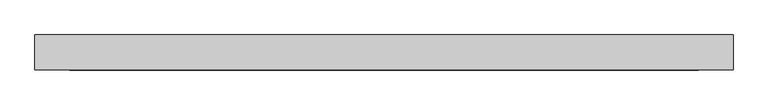
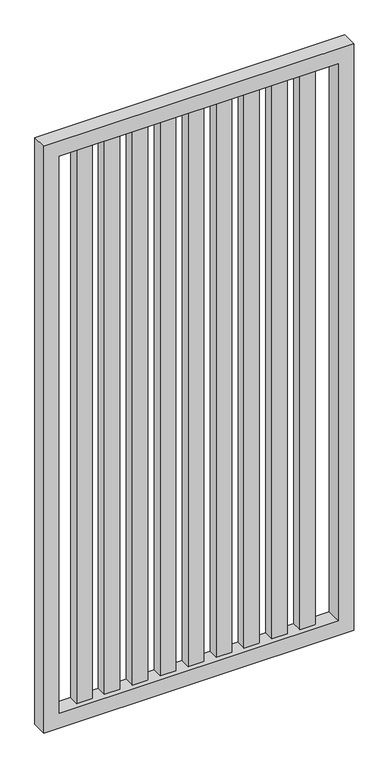
"""IFC4 building model written with IfcOpenShell, lengths in millimetres: proxy geometry."""

from ifc_helpers import new_model, si_unit, frame, origin, place, context, project, spatial, polyline, outline, extrude, source, transform, mapped, element, save


def generic_models_ff5449f3(model_context):
    return source(origin(), model_context, "Body", "SweptSolid", [
        extrude(outline(polyline([(1272.54, 76.2), (1348.74, 76.2), (1348.74, 25.4), (1272.54, 25.4), (1272.54, 76.2)])), frame((0.0, 0.0, 76.2), z_axis=(0.0, 0.0, 1.0), x_axis=(1.0, 0.0, 0.0)), (0.0, 0.0, 1.0), 2895.6),
        extrude(outline(polyline([(1135.38, 76.2), (1211.58, 76.2), (1211.58, 25.4), (1135.38, 25.4), (1135.38, 76.2)])), frame((0.0, 0.0, 76.2), z_axis=(0.0, 0.0, 1.0), x_axis=(1.0, 0.0, 0.0)), (0.0, 0.0, 1.0), 2895.6),
        extrude(outline(polyline([(998.22, 76.2), (1074.42, 76.2), (1074.42, 25.4), (998.22, 25.4), (998.22, 76.2)])), frame((0.0, 0.0, 76.2), z_axis=(0.0, 0.0, 1.0), x_axis=(1.0, 0.0, 0.0)), (0.0, 0.0, 1.0), 2895.6),
        extrude(outline(polyline([(861.06, 76.2), (937.26, 76.2), (937.26, 25.4), (861.06, 25.4), (861.06, 76.2)])), frame((0.0, 0.0, 76.2), z_axis=(0.0, 0.0, 1.0), x_axis=(1.0, 0.0, 0.0)), (0.0, 0.0, 1.0), 2895.6),
        extrude(outline(polyline([(723.9, 76.2), (800.1, 76.2), (800.1, 25.4), (723.9, 25.4), (723.9, 76.2)])), frame((0.0, 0.0, 76.2), z_axis=(0.0, 0.0, 1.0), x_axis=(1.0, 0.0, 0.0)), (0.0, 0.0, 1.0), 2895.6),
        extrude(outline(polyline([(586.74, 76.2), (662.94, 76.2), (662.94, 25.4), (586.74, 25.4), (586.74, 76.2)])), frame((0.0, 0.0, 76.2), z_axis=(0.0, 0.0, 1.0), x_axis=(1.0, 0.0, 0.0)), (0.0, 0.0, 1.0), 2895.6),
        extrude(outline(polyline([(449.58, 76.2), (525.78, 76.2), (525.78, 25.4), (449.58, 25.4), (449.58, 76.2)])), frame((0.0, 0.0, 76.2), z_axis=(0.0, 0.0, 1.0), x_axis=(1.0, 0.0, 0.0)), (0.0, 0.0, 1.0), 2895.6),
        extrude(outline(polyline([(312.42, 76.2), (388.62, 76.2), (388.62, 25.4), (312.42, 25.4), (312.42, 76.2)])), frame((0.0, 0.0, 76.2), z_axis=(0.0, 0.0, 1.0), x_axis=(1.0, 0.0, 0.0)), (0.0, 0.0, 1.0), 2895.6),
        extrude(outline(polyline([(175.26, 76.2), (251.46, 76.2), (251.46, 25.4), (175.26, 25.4), (175.26, 76.2)])), frame((0.0, 0.0, 76.2), z_axis=(0.0, 0.0, 1.0), x_axis=(1.0, 0.0, 0.0)), (0.0, 0.0, 1.0), 2895.6),
        extrude(outline(polyline([(0.0, 0.0), (0.0, 1524.0), (3048.0, 1524.0), (3048.0, 0.0), (0.0, 0.0)]), holes=[polyline([(76.2, 76.2), (2971.8, 76.2), (2971.8, 1447.8), (76.2, 1447.8), (76.2, 76.2)])]), frame((0.0, 0.0, 0.0), z_axis=(0.0, 1.0, 0.0), x_axis=(0.0, 0.0, 1.0)), (0.0, 0.0, 1.0), 76.2),
    ])


if __name__ == "__main__":
    model = new_model("IFC4")
    model_context = context("Model", 3, world=origin())
    ifc_project = project(units=[si_unit("LENGTHUNIT", "METRE", prefix="MILLI")], contexts=[model_context])
    site = spatial("IfcSite", under=ifc_project)
    building = spatial("IfcBuilding", under=site)
    placement = place(None, origin())
    generic_models_shape = generic_models_ff5449f3(model_context)
    element("IfcBuildingElementProxy", 1, Name="Generic Models", at=placement, inside=building, context=model_context, shape_type="MappedRepresentation", body=[
        mapped(generic_models_shape, transform((0.0, 0.0, 0.0), x_axis=(1.0, 0.0, 0.0), y_axis=(0.0, 1.0, 0.0), z_axis=(0.0, 0.0, 1.0))),
    ])
    save(model, "model.ifc")
